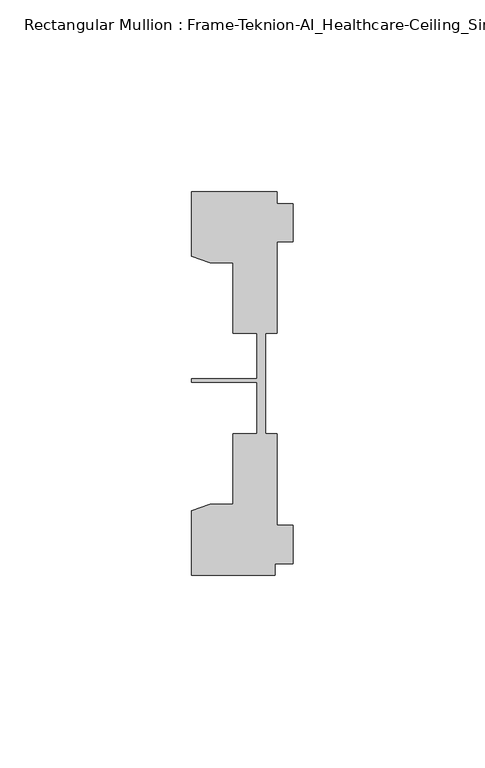
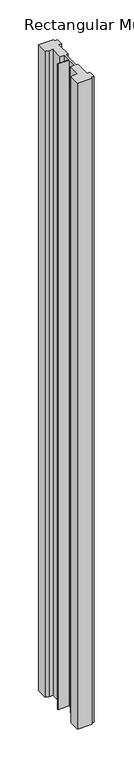
"""IFC4 building model written with IfcOpenShell, lengths in millimetres: member geometry, Rectangular Mullion : Frame-Teknion-AI_Healthcare-Ceiling_Single_Channel."""

from ifc_helpers import new_model, si_unit, frame, origin, place, context, project, spatial, polyline, outline, extrude, source, transform, mapped, element, save


def rectangular_mullion_frame_teknion_ai_healthcare_ceiling_db46c3c4(model_context):
    return source(origin(), model_context, "Body", "SweptSolid", [
        extrude(outline(polyline([(-26.4921999, -34.0201677), (-21.6625199, -32.2880982), (-15.6737764, -32.2880982), (-15.6737764, -13.9110722), (-9.4507761, -13.9110722), (-9.4507761, -0.4036528), (-26.4921999, -0.4036528), (-26.4921999, 0.4036528), (-9.4507761, 0.4036528), (-9.4507761, 12.2509301), (-15.6737764, 12.2509301), (-15.6737764, 30.6279561), (-21.6625199, 30.6279561), (-26.4921999, 32.3600207), (-26.4921999, 49.1699293), (-4.2672007, 49.1699293), (-4.2672007, 46.1219322), (0.0, 46.1219322), (0.0, 36.1219249), (-4.2672007, 36.1219249), (-4.2672007, 12.2509301), (-7.1647766, 12.2509301), (-7.1647766, -0.0814804), (-7.1647766, -13.9110722), (-4.2672007, -13.9110722), (-4.2672007, -37.7820716), (0.0, -37.7820716), (0.0, -47.782071), (-4.7752002, -47.782071), (-4.7752002, -50.8315128), (-26.4921999, -50.8315128), (-26.4921999, -34.0201677)])), frame((0.0, 0.0, -1016.0), z_axis=(0.0, 0.0, 1.0), x_axis=(1.0, 0.0, 0.0)), (0.0, 0.0, 1.0), 1016.0),
    ])


if __name__ == "__main__":
    model = new_model("IFC4")
    model_context = context("Model", 3, world=origin())
    ifc_project = project(units=[si_unit("LENGTHUNIT", "METRE", prefix="MILLI")], contexts=[model_context])
    site = spatial("IfcSite", under=ifc_project)
    building = spatial("IfcBuilding", under=site)
    placement = place(None, origin())
    rectangular_mullion_frame_teknion_ai_healthcare_ceiling_shape = rectangular_mullion_frame_teknion_ai_healthcare_ceiling_db46c3c4(model_context)
    element("IfcMember", 1, ObjectType="Rectangular Mullion : Frame-Teknion-AI_Healthcare-Ceiling_Single_Channel", at=placement, inside=building, context=model_context, shape_type="MappedRepresentation", body=[
        mapped(rectangular_mullion_frame_teknion_ai_healthcare_ceiling_shape, transform((0.0, 0.0, 0.0), x_axis=(1.0, 0.0, 0.0), y_axis=(0.0, 1.0, 0.0), z_axis=(0.0, 0.0, 1.0))),
    ])
    save(model, "model.ifc")
